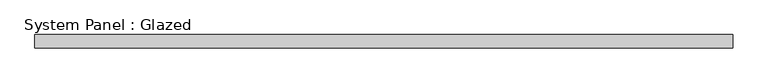
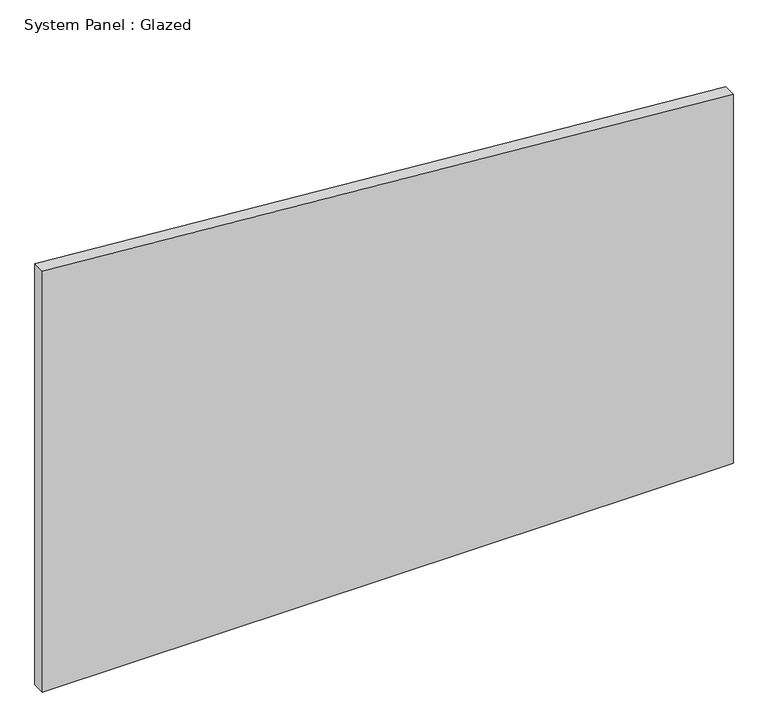
"""IFC4 building model written with IfcOpenShell, lengths in millimetres: plate geometry, System Panel : Glazed."""

from ifc_helpers import new_model, si_unit, frame, origin, place, context, project, spatial, polyline, outline, extrude, source, transform, mapped, element, save


def system_panel_glazed_165447c5(model_context):
    return source(origin(), model_context, "Body", "SweptSolid", [
        extrude(outline(polyline([(0.0, -669.175), (0.0, 669.175), (756.7061847, 669.175), (862.4524724, -669.175), (0.0, -669.175)])), frame((0.0, 19.05, 0.0), z_axis=(0.0, 1.0, 0.0), x_axis=(0.0, 0.0, 1.0)), (0.0, 0.0, 1.0), 25.4),
    ])


if __name__ == "__main__":
    model = new_model("IFC4")
    model_context = context("Model", 3, world=origin())
    ifc_project = project(units=[si_unit("LENGTHUNIT", "METRE", prefix="MILLI")], contexts=[model_context])
    site = spatial("IfcSite", under=ifc_project)
    building = spatial("IfcBuilding", under=site)
    placement = place(None, origin())
    system_panel_glazed_shape = system_panel_glazed_165447c5(model_context)
    element("IfcPlate", 1, ObjectType="System Panel : Glazed", at=placement, inside=building, context=model_context, shape_type="MappedRepresentation", body=[
        mapped(system_panel_glazed_shape, transform((0.0, 0.0, 0.0), x_axis=(1.0, 0.0, 0.0), y_axis=(0.0, 1.0, 0.0), z_axis=(0.0, 0.0, 1.0))),
    ])
    save(model, "model.ifc")
